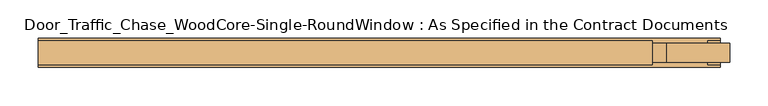
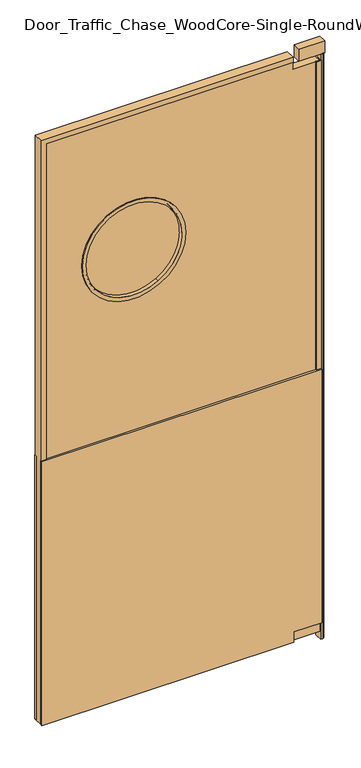
"""IFC4 building model written with IfcOpenShell, lengths in millimetres: door geometry, Door_Traffic_Chase_WoodCore-Single-RoundWindow : As Specified in the Contract Documents."""

from ifc_helpers import new_model, si_unit, point, frame, frame_2d, origin, origin_with_axes, place, context, project, spatial, polyline, circle_curve, trimmed, segment, composite_curve, outline, extrude, faceted_brep, source, transform, mapped, element, save
from ifc_brep_helpers import plane_surface, cylinder_surface, revolved_surface, advanced_brep


def door_traffic_chase_woodcore_single_roundwindow_as_specified_e849c788(model_context):
    return source(origin(), model_context, "Body", "SolidModel", [
        extrude(outline(composite_curve([segment(trimmed(circle_curve(frame_2d((1524.0, -130.175)), 152.4), [point((1655.9822715, -206.375))], [point((1392.0177285, -53.975))], False, "CARTESIAN"), True, "CONTINUOUS"), segment(trimmed(circle_curve(frame_2d((1524.0, -130.175)), 152.4), [point((1392.0177285, -53.975))], [point((1655.9822715, -206.375))], False, "CARTESIAN"), True, "CONTINUOUS")], self_intersect=False)), frame((0.0, -20.6375, 0.0), z_axis=(0.0, 1.0, 0.0), x_axis=(0.0, 0.0, 1.0)), (0.0, 0.0, 1.0), 6.35),
        extrude(outline(polyline([(25.4, 377.825), (60.325, 377.825), (60.325, 466.725), (914.4, 466.725), (914.4, -425.45), (25.4, -425.45), (25.4, 377.825)])), frame((0.0, -4.7625, 0.0), z_axis=(0.0, 1.0, 0.0), x_axis=(0.0, 0.0, 1.0)), (0.0, 0.0, 1.0), 6.35),
        extrude(outline(polyline([(25.4, 377.825), (60.325, 377.825), (60.325, 466.725), (914.4, 466.725), (914.4, -425.45), (25.4, -425.45), (25.4, 377.825)])), frame((0.0, -36.5125, 0.0), z_axis=(0.0, 1.0, 0.0), x_axis=(0.0, 0.0, 1.0)), (0.0, 0.0, 1.0), 6.35),
        advanced_brep(
        [(-47.625, -33.3375, 1381.0192058), (-212.725, -33.3375, 1666.9807942), (-212.725, -30.1625, 1666.9807942), (-47.625, -30.1625, 1381.0192058), (-53.975, -1.5875, 1392.0177285), (-206.375, -1.5875, 1655.9822715), (-206.375, -33.3375, 1655.9822715), (-53.975, -33.3375, 1392.0177285), (-47.625, -4.7625, 1381.0192058), (-212.725, -4.7625, 1666.9807942), (-212.725, -1.5875, 1666.9807942), (-47.625, -1.5875, 1381.0192058), (-52.3875, -30.1625, 1389.2680978), (-207.9625, -30.1625, 1658.7319022), (-207.9625, -4.7625, 1658.7319022), (-52.3875, -4.7625, 1389.2680978)],
        [
            (0, 1, circle_curve(frame((-130.175, -33.3375, 1524.0), z_axis=(0.0, 1.0, 0.0), x_axis=(-0.4999999999999953, 0.0, 0.8660254037844415)), 165.1)),
            (1, 2),
            (2, 3, circle_curve(frame((-130.175, -30.1625, 1524.0), z_axis=(0.0, -1.0, 0.0), x_axis=(-0.4999999999999953, 0.0, 0.8660254037844415)), 165.1)),
            (3, 0),
            (4, 5, circle_curve(frame((-130.175, -1.5875, 1524.0), z_axis=(0.0, 1.0, 0.0), x_axis=(-0.4999999999999953, 0.0, 0.8660254037844415)), 152.4)),
            (5, 6),
            (6, 7, circle_curve(frame((-130.175, -33.3375, 1524.0), z_axis=(0.0, -1.0, 0.0), x_axis=(-0.4999999999999953, 0.0, 0.8660254037844415)), 152.4)),
            (7, 4),
            (8, 9, circle_curve(frame((-130.175, -4.7625, 1524.0), z_axis=(0.0, 1.0, 0.0), x_axis=(-0.4999999999999953, 0.0, 0.8660254037844415)), 165.1)),
            (9, 10),
            (10, 11, circle_curve(frame((-130.175, -1.5875, 1524.0), z_axis=(0.0, -1.0, 0.0), x_axis=(-0.4999999999999953, 0.0, 0.8660254037844415)), 165.1)),
            (11, 8),
            (12, 13, circle_curve(frame((-130.175, -30.1625, 1524.0), z_axis=(0.0, 1.0, 0.0), x_axis=(-0.4999999999999953, 0.0, 0.8660254037844415)), 155.575)),
            (13, 14),
            (14, 15, circle_curve(frame((-130.175, -4.7625, 1524.0), z_axis=(0.0, -1.0, 0.0), x_axis=(-0.4999999999999953, 0.0, 0.8660254037844415)), 155.575)),
            (15, 12),
            (2, 3, circle_curve(frame((-130.175, -30.1625, 1524.0), z_axis=(0.0, 1.0, 0.0), x_axis=(0.49999999999999806, 0.0, -0.8660254037844398)), 165.1)),
            (12, 13, circle_curve(frame((-130.175, -30.1625, 1524.0), z_axis=(0.0, -1.0, 0.0), x_axis=(0.49999999999999806, 0.0, -0.8660254037844398)), 155.575)),
            (1, 0, circle_curve(frame((-130.175, -33.3375, 1524.0), z_axis=(0.0, 1.0, 0.0), x_axis=(0.49999999999999806, 0.0, -0.8660254037844398)), 165.1)),
            (6, 7, circle_curve(frame((-130.175, -33.3375, 1524.0), z_axis=(0.0, 1.0, 0.0), x_axis=(0.49999999999999806, 0.0, -0.8660254037844398)), 152.4)),
            (5, 4, circle_curve(frame((-130.175, -1.5875, 1524.0), z_axis=(0.0, 1.0, 0.0), x_axis=(0.49999999999999806, 0.0, -0.8660254037844398)), 152.4)),
            (10, 11, circle_curve(frame((-130.175, -1.5875, 1524.0), z_axis=(0.0, 1.0, 0.0), x_axis=(0.49999999999999806, 0.0, -0.8660254037844398)), 165.1)),
            (9, 8, circle_curve(frame((-130.175, -4.7625, 1524.0), z_axis=(0.0, 1.0, 0.0), x_axis=(0.49999999999999806, 0.0, -0.8660254037844398)), 165.1)),
            (14, 15, circle_curve(frame((-130.175, -4.7625, 1524.0), z_axis=(0.0, 1.0, 0.0), x_axis=(0.49999999999999806, 0.0, -0.8660254037844398)), 155.575)),
        ],
        [
            cylinder_surface(frame((-130.175, -17.4625, 1524.0), z_axis=(0.0, -1.0, 0.0), x_axis=(-0.4999999999999953, 0.0, 0.8660254037844415)), 165.1),
            revolved_surface(polyline([(-206.3749999999993, -33.3375, 1655.9822715367488), (-206.3749999999993, -1.5875000000000004, 1655.9822715367488)]), (-130.175, -17.4625, 1524.0), (0.0, -1.0, 0.0)),
            cylinder_surface(frame((-130.175, -17.4625, 1524.0), z_axis=(0.0, -1.0, 0.0), x_axis=(-0.4999999999999953, 0.0, 0.8660254037844415)), 155.575),
            plane_surface(frame((-130.175, -30.1625, 1524.0), z_axis=(0.0, 1.0, 0.0), x_axis=(0.49999999999999806, 0.0, -0.8660254037844398))),
            cylinder_surface(frame((-130.175, -17.4625, 1524.0), z_axis=(0.0, -1.0, 0.0), x_axis=(0.49999999999999806, 0.0, -0.8660254037844398)), 165.1),
            plane_surface(frame((-130.175, -33.3375, 1524.0), z_axis=(0.0, -1.0, 0.0), x_axis=(0.49999999999999806, 0.0, -0.8660254037844398))),
            revolved_surface(polyline([(-53.97500000000031, -33.3375, 1392.0177284632514), (-53.97500000000031, -1.5875000000000004, 1392.0177284632514)]), (-130.175, -17.4625, 1524.0), (0.0, -1.0, 0.0)),
            plane_surface(frame((-130.175, -1.5875, 1524.0), z_axis=(0.0, 1.0, 0.0), x_axis=(0.49999999999999806, 0.0, -0.8660254037844398))),
            plane_surface(frame((-130.175, -4.7625, 1524.0), z_axis=(0.0, -1.0, 0.0), x_axis=(0.49999999999999806, 0.0, -0.8660254037844398))),
            cylinder_surface(frame((-130.175, -17.4625, 1524.0), z_axis=(0.0, -1.0, 0.0), x_axis=(0.49999999999999806, 0.0, -0.8660254037844398)), 155.575),
        ],
        [
            (0, [[1, 2, 3, 4]]),
            (1, [[5, 6, 7, 8]]),
            (0, [[9, 10, 11, 12]]),
            (2, [[13, 14, 15, 16]]),
            (3, [[17, -3], [18, -13]]),
            (4, [[19, -4, -17, -2]]),
            (5, [[-19, -1], [20, -7]]),
            (6, [[21, -8, -20, -6]]),
            (7, [[22, -11], [-21, -5]]),
            (4, [[23, -12, -22, -10]]),
            (8, [[-23, -9], [24, -15]]),
            (9, [[-18, -16, -24, -14]]),
        ],
    ),
        extrude(outline(polyline([(463.55, -30.1625), (463.55, -4.7625), (450.85, -4.7625), (450.85, -1.5875), (466.725, -1.5875), (466.725, -33.3375), (450.85, -33.3375), (450.85, -30.1625), (463.55, -30.1625)])), frame((0.0, 0.0, 60.325), z_axis=(0.0, 0.0, 1.0), x_axis=(1.0, 0.0, 0.0)), (0.0, 0.0, 1.0), 1892.3),
        faceted_brep([(377.825, -30.1625, 28.575), (377.825, -30.1625, 41.275), (377.825, -33.3375, 41.275), (377.825, -33.3375, 25.4), (377.825, -1.5875, 25.4), (377.825, -1.5875, 41.275), (377.825, -4.7625, 41.275), (377.825, -4.7625, 28.575), (-422.275, -30.1625, 28.575), (-422.275, -30.1625, 1990.725), (377.825, -30.1625, 1990.725), (377.825, -30.1625, 1978.025), (-409.575, -30.1625, 1978.025), (-409.575, -30.1625, 41.275), (-409.575, -33.3375, 41.275), (-409.575, -33.3375, 1978.025), (377.825, -33.3375, 1978.025), (377.825, -33.3375, 1993.9), (-425.45, -33.3375, 1993.9), (-425.45, -33.3375, 25.4), (-425.45, -1.5875, 25.4), (-425.45, -1.5875, 1993.9), (377.825, -1.5875, 1993.9), (377.825, -1.5875, 1978.025), (-409.575, -1.5875, 1978.025), (-409.575, -1.5875, 41.275), (-409.575, -4.7625, 41.275), (-409.575, -4.7625, 1978.025), (377.825, -4.7625, 1978.025), (377.825, -4.7625, 1990.725), (-422.275, -4.7625, 1990.725), (-422.275, -4.7625, 28.575)], [[[0, 1, 2, 3, 4, 5, 6, 7]], [[1, 0, 8, 9, 10, 11, 12, 13]], [[2, 1, 13, 14]], [[3, 2, 14, 15, 16, 17, 18, 19]], [[4, 3, 19, 20]], [[5, 4, 20, 21, 22, 23, 24, 25]], [[6, 5, 25, 26]], [[7, 6, 26, 27, 28, 29, 30, 31]], [[0, 7, 31, 8]], [[14, 13, 12, 15]], [[20, 19, 18, 21]], [[26, 25, 24, 27]], [[8, 31, 30, 9]], [[10, 29, 28, 23, 22, 17, 16, 11]], [[15, 12, 11, 16]], [[21, 18, 17, 22]], [[27, 24, 23, 28]], [[9, 30, 29, 10]]]),
        extrude(outline(composite_curve([segment(polyline([(466.725, -4.7625), (473.075, -4.7625)]), True, "CONTINUOUS"), segment(trimmed(circle_curve(frame_2d((473.075, -11.1125)), 6.35), [point((473.075, -4.7625))], [point((479.425, -11.1125))], False, "CARTESIAN"), True, "CONTINUOUS"), segment(polyline([(479.425, -11.1125), (479.425, -23.8125)]), True, "CONTINUOUS"), segment(trimmed(circle_curve(frame_2d((473.075, -23.8125)), 6.35), [point((479.425, -23.8125))], [point((473.075, -30.1625))], False, "CARTESIAN"), True, "CONTINUOUS"), segment(polyline([(473.075, -30.1625), (466.725, -30.1625), (466.725, -4.7625)]), True, "CONTINUOUS")], self_intersect=False)), origin_with_axes(), (0.0, 0.0, 1.0), 1971.675),
        extrude(outline(polyline([(479.425, -4.7625), (479.425, -30.1625), (396.875, -30.1625), (396.875, -4.7625), (479.425, -4.7625)])), frame((0.0, 0.0, 1971.675), z_axis=(0.0, 0.0, 1.0), x_axis=(1.0, 0.0, 0.0)), (0.0, 0.0, 1.0), 41.275),
        extrude(outline(polyline([(463.55, -4.7625), (463.55, -30.1625), (377.825, -30.1625), (377.825, -4.7625), (463.55, -4.7625)])), frame((0.0, 0.0, 28.575), z_axis=(0.0, 0.0, 1.0), x_axis=(1.0, 0.0, 0.0)), (0.0, 0.0, 1.0), 31.75),
        extrude(outline(polyline([(1990.725, 377.825), (1990.725, -422.275), (28.575, -422.275), (28.575, 377.825), (60.325, 377.825), (60.325, 463.55), (1952.625, 463.55), (1952.625, 377.825), (1990.725, 377.825)]), holes=[composite_curve([segment(trimmed(circle_curve(frame_2d((1524.0, -130.175)), 155.575), [point((1524.0, 25.4))], [point((1524.0, -285.75))], True, "CARTESIAN"), True, "CONTINUOUS"), segment(trimmed(circle_curve(frame_2d((1524.0, -130.175)), 155.575), [point((1524.0, -285.75))], [point((1524.0, 25.4))], True, "CARTESIAN"), True, "CONTINUOUS")], self_intersect=False)]), frame((0.0, -30.1625, 0.0), z_axis=(0.0, 1.0, 0.0), x_axis=(0.0, 0.0, 1.0)), (0.0, 0.0, 1.0), 25.4),
    ])


if __name__ == "__main__":
    model = new_model("IFC4")
    model_context = context("Model", 3, world=origin())
    ifc_project = project(units=[si_unit("LENGTHUNIT", "METRE", prefix="MILLI")], contexts=[model_context])
    site = spatial("IfcSite", under=ifc_project)
    building = spatial("IfcBuilding", under=site)
    placement = place(None, origin())
    door_traffic_chase_woodcore_single_roundwindow_as_specified_shape = door_traffic_chase_woodcore_single_roundwindow_as_specified_e849c788(model_context)
    element("IfcDoor", 1, ObjectType="Door_Traffic_Chase_WoodCore-Single-RoundWindow : As Specified in the Contract Documents", at=placement, inside=building, context=model_context, shape_type="MappedRepresentation", body=[
        mapped(door_traffic_chase_woodcore_single_roundwindow_as_specified_shape, transform((0.0, 0.0, 0.0), x_axis=(1.0, 0.0, 0.0), y_axis=(0.0, 1.0, 0.0), z_axis=(0.0, 0.0, 1.0))),
    ])
    save(model, "model.ifc")
